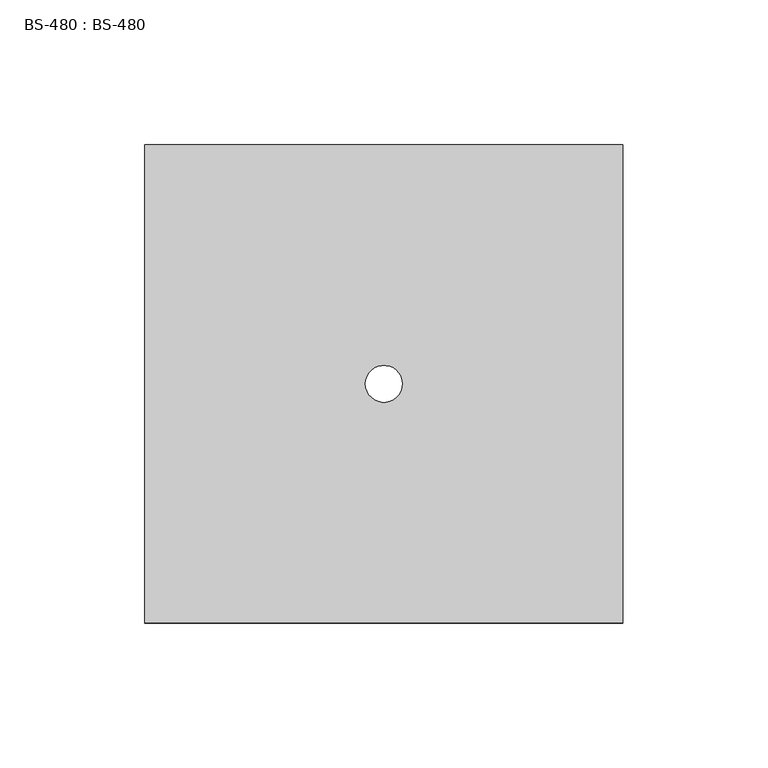
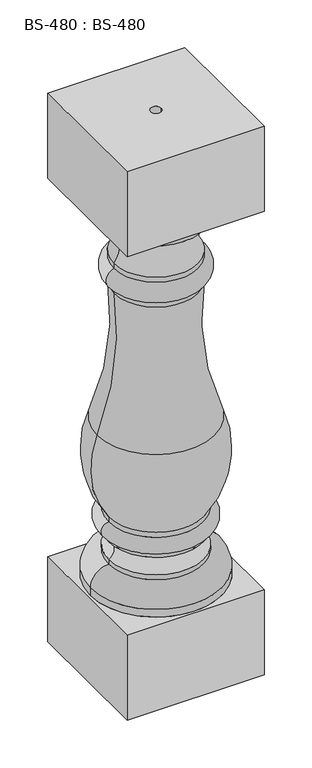
"""IFC4 building model written with IfcOpenShell, lengths in millimetres: proxy geometry, BS-480 : BS-480."""

import ifcopenshell
import ifcopenshell.guid

model = None  # the IFC model being written
_history = None  # IfcOwnerHistory: only IFC2X3 demands one
_inside = {}  # id of a spatial element -> (the spatial element, [elements in it])
_under = {}  # id of a project, library or spatial element -> (it, [spatial elements below it])
_declared = {}  # id of a project -> (the project, [libraries it declares])
_typed = {}  # id of a type object -> (the type object, [elements of that type])
_made_of = {}  # id of a material, layer set ... -> (it, [elements and type objects made of it])


def new_model(schema):
    """Start an empty IFC model of exactly this schema.

    Asked for "IFC4X3", IfcOpenShell would pick the latest addendum, in which some entities
    have other attributes; the version numbers below select the first issue.
    IFC2X3 requires an IfcOwnerHistory on every rooted entity: one is made here for all.
    """
    global model, _history
    if schema == "IFC4X3":
        model = ifcopenshell.file(schema_version=(4, 3, 0, 0))
    else:
        model = ifcopenshell.file(schema=schema)
    _inside.clear()
    _under.clear()
    _declared.clear()
    _typed.clear()
    _made_of.clear()
    _history = None
    if model.schema == "IFC2X3":
        org = make("IfcOrganization", Name="unknown")
        user = make(
            "IfcPersonAndOrganization",
            ThePerson=make("IfcPerson", FamilyName="unknown"),
            TheOrganization=org,
        )
        app = make(
            "IfcApplication",
            ApplicationDeveloper=org,
            Version="unknown",
            ApplicationFullName="unknown",
            ApplicationIdentifier="unknown",
        )
        _history = make(
            "IfcOwnerHistory",
            OwningUser=user,
            OwningApplication=app,
            ChangeAction="ADDED",
            CreationDate=0,
        )
    return model


def make(cls, **values):
    """One entity of the class cls with the attributes given. An attribute that is None is left unset."""
    return model.create_entity(
        cls, **{name: value for name, value in values.items() if value is not None}
    )


def rooted(cls, **values):
    """An entity with a GlobalId (a new one), such as an element, a storey or a relation."""
    return make(cls, GlobalId=ifcopenshell.guid.new(), OwnerHistory=_history, **values)


def si_unit(unit_type, name, prefix=None):
    """IfcSIUnit, for example si_unit("LENGTHUNIT", "METRE", prefix="MILLI")."""
    return make("IfcSIUnit", UnitType=unit_type, Prefix=prefix, Name=name)


def assignment(units):
    """IfcUnitAssignment: the units of a project."""
    return None if units is None else make("IfcUnitAssignment", Units=units)


def point(xyz):
    """IfcCartesianPoint."""
    return None if xyz is None else make("IfcCartesianPoint", Coordinates=xyz)


def direction(xyz):
    """IfcDirection."""
    return None if xyz is None else make("IfcDirection", DirectionRatios=xyz)


def frame(location, z_axis=None, x_axis=None):
    """IfcAxis2Placement3D, a coordinate frame: its origin and axes. An axis left out is left unset."""
    return make(
        "IfcAxis2Placement3D",
        Location=point(location),
        Axis=direction(z_axis),
        RefDirection=direction(x_axis),
    )


def origin():
    """The frame at (0, 0, 0) with its axes left unset."""
    return frame((0.0, 0.0, 0.0))


def origin_with_axes():
    """The frame at (0, 0, 0) with the z axis (0, 0, 1) and the x axis (1, 0, 0) written out."""
    return frame((0.0, 0.0, 0.0), z_axis=(0.0, 0.0, 1.0), x_axis=(1.0, 0.0, 0.0))


def place(relative_to, where):
    """IfcLocalPlacement: puts the frame where relative to a parent placement (None: the world)."""
    return make(
        "IfcLocalPlacement", PlacementRelTo=relative_to, RelativePlacement=where
    )


def context(
    kind, dimensions, precision=None, world=None, true_north=None, identifier=None
):
    """IfcGeometricRepresentationContext, for example the 3D "Model" context."""
    return make(
        "IfcGeometricRepresentationContext",
        ContextIdentifier=identifier,
        ContextType=kind,
        CoordinateSpaceDimension=dimensions,
        Precision=precision,
        WorldCoordinateSystem=world,
        TrueNorth=true_north,
    )


def project(units=None, contexts=None):
    """IfcProject with its units and contexts."""
    return rooted(
        "IfcProject",
        Name="project",
        RepresentationContexts=contexts,
        UnitsInContext=assignment(units),
    )


def spatial(cls, under=None, at=None, **own):
    """A site, building, storey or space (cls), placed at a placement, below another one or the project."""
    s = rooted(cls, ObjectPlacement=at, **own)
    if under is not None:
        _under.setdefault(under.id(), (under, []))[1].append(s)
    return s


def polyline(points):
    """IfcPolyline through the points."""
    return make("IfcPolyline", Points=[point(p) for p in points])


def circle_curve(where, radius):
    """IfcCircle in the frame where."""
    return make("IfcCircle", Position=where, Radius=radius)


def ellipse_curve(where, semi_axis1, semi_axis2):
    """IfcEllipse in the frame where."""
    return make(
        "IfcEllipse", Position=where, SemiAxis1=semi_axis1, SemiAxis2=semi_axis2
    )


def trimmed(basis, trim1, trim2, sense, master):
    """IfcTrimmedCurve: the piece of a basis curve between two trims."""
    return make(
        "IfcTrimmedCurve",
        BasisCurve=basis,
        Trim1=trim1,
        Trim2=trim2,
        SenseAgreement=sense,
        MasterRepresentation=master,
    )


def shape(context_of_items, identifier, shape_type, items):
    """IfcShapeRepresentation: the items that make up one representation, for example the "Body"."""
    return make(
        "IfcShapeRepresentation",
        ContextOfItems=context_of_items,
        RepresentationIdentifier=identifier,
        RepresentationType=shape_type,
        Items=items,
    )


def source(mapping_origin, context_of_items, identifier, shape_type, items):
    """IfcRepresentationMap: a shape defined once, which mapped items show again and again."""
    return make(
        "IfcRepresentationMap",
        MappingOrigin=mapping_origin,
        MappedRepresentation=shape(context_of_items, identifier, shape_type, items),
    )


def transform(
    local_origin,
    x_axis=None,
    y_axis=None,
    z_axis=None,
    scale=None,
    scale2=None,
    scale3=None,
    uniform=True,
):
    """IfcCartesianTransformationOperator3D, or its non-uniform kind. x_axis, y_axis, z_axis: its Axis1, 2, 3."""
    if uniform:
        return make(
            "IfcCartesianTransformationOperator3D",
            Axis1=direction(x_axis),
            Axis2=direction(y_axis),
            LocalOrigin=point(local_origin),
            Scale=scale,
            Axis3=direction(z_axis),
        )
    return make(
        "IfcCartesianTransformationOperator3DnonUniform",
        Axis1=direction(x_axis),
        Axis2=direction(y_axis),
        LocalOrigin=point(local_origin),
        Scale=scale,
        Axis3=direction(z_axis),
        Scale2=scale2,
        Scale3=scale3,
    )


def mapped(mapping_source, mapping_target):
    """IfcMappedItem: shows the shape of a source again, moved by a transform."""
    return make(
        "IfcMappedItem", MappingSource=mapping_source, MappingTarget=mapping_target
    )


def made_of(thing, what):
    """Note that an element or type object is made of a material, layer set ...; save() writes the relation."""
    if what is not None:
        _made_of.setdefault(what.id(), (what, []))[1].append(thing)
    return thing


def element(
    cls,
    number,
    at=None,
    inside=None,
    cuts=None,
    type_object=None,
    material=None,
    context=None,
    identifier="Body",
    shape_type=None,
    held_by="IfcProductDefinitionShape",
    body=None,
    shapes=None,
    **own,
):
    """One element of the class cls, such as IfcWall. Its Tag is "e" and its number.

    at: its placement. inside: the storey or other place that contains it. cuts: it is an
    opening in that element (IfcRelVoidsElement). A single representation is given by context,
    identifier, shape_type and body (its items); several are given by shapes. held_by: the class
    of the entity that holds the representations. save() writes the other relations.
    """
    e = rooted(cls, Tag="e%d" % number, ObjectPlacement=at, **own)
    if body is not None:
        shapes = [shape(context, identifier, shape_type, body)]
    if shapes is not None:
        e.Representation = make(held_by, Representations=shapes)
    if inside is not None:
        _inside.setdefault(inside.id(), (inside, []))[1].append(e)
    if cuts is not None:
        rooted(
            "IfcRelVoidsElement", RelatingBuildingElement=cuts, RelatedOpeningElement=e
        )
    if type_object is not None:
        _typed.setdefault(type_object.id(), (type_object, []))[1].append(e)
    return made_of(e, material)


def aggregate(whole, parts):
    """IfcRelAggregates: a whole, such as a stair, and the parts it consists of."""
    return rooted("IfcRelAggregates", RelatingObject=whole, RelatedObjects=parts)


def save(model, path):
    """Write the relations noted so far, then the file.

    IfcRelAggregates (storeys below a building ...), IfcRelContainedInSpatialStructure (elements
    in a storey), IfcRelDefinesByType, IfcRelAssociatesMaterial and IfcRelDeclares: one each for
    every whole, place, type object, material and project.
    """
    for whole, parts in _under.values():
        aggregate(whole, parts)
    for where, things in _inside.values():
        rooted(
            "IfcRelContainedInSpatialStructure",
            RelatedElements=things,
            RelatingStructure=where,
        )
    for kind, things in _typed.values():
        rooted("IfcRelDefinesByType", RelatedObjects=things, RelatingType=kind)
    for what, things in _made_of.values():
        rooted("IfcRelAssociatesMaterial", RelatedObjects=things, RelatingMaterial=what)
    for by, libraries in _declared.values():
        rooted("IfcRelDeclares", RelatingContext=by, RelatedDefinitions=libraries)
    model.write(path)


def plane_surface(at):
    """IfcPlane: the flat surface through the origin of the frame at, square to its z axis."""
    return make("IfcPlane", Position=at)


def cylinder_surface(at, radius):
    """IfcCylindricalSurface: all points at the distance radius from the z axis of the frame at."""
    return make("IfcCylindricalSurface", Position=at, Radius=radius)


def revolved_surface(curve, axis_point, axis_direction):
    """IfcSurfaceOfRevolution: the curve turned about the line through axis_point along axis_direction."""
    return make(
        "IfcSurfaceOfRevolution",
        SweptCurve=make("IfcArbitraryOpenProfileDef", ProfileType="CURVE", Curve=curve),
        AxisPosition=make("IfcAxis1Placement", Location=point(axis_point), Axis=direction(axis_direction)),
    )


def advanced_brep(points, edges, surfaces, faces):
    """IfcAdvancedBrep: a solid bounded by faces that lie on surfaces and meet in shared edges.

    An edge is (start, end): straight between two places in points (the first is 0);
    or (start, end, curve); or (start, end, curve, False) where it runs against its curve.
    A face is (place in surfaces, loops), or (place, loops, False) where it looks against
    its surface's normal. A loop lists edges by number (the first is 1), with a minus sign
    where the edge is run from its end to its start. The first loop is the outer one.
    """
    corners = [point(p) for p in points]
    vertices = [make("IfcVertexPoint", VertexGeometry=c) for c in corners]
    made = []
    for start, end, *more in edges:
        made.append(
            make(
                "IfcEdgeCurve",
                EdgeStart=vertices[start],
                EdgeEnd=vertices[end],
                EdgeGeometry=more[0] if more else make("IfcPolyline", Points=[corners[start], corners[end]]),
                SameSense=more[1] if len(more) > 1 else True,
            )
        )
    hull = []
    for where, loops, *sense in faces:
        bounds = []
        for j, loop in enumerate(loops):
            ring = [make("IfcOrientedEdge", EdgeElement=made[abs(k) - 1], Orientation=k > 0) for k in loop]
            bounds.append(
                make(
                    "IfcFaceOuterBound" if j == 0 else "IfcFaceBound",
                    Bound=make("IfcEdgeLoop", EdgeList=ring),
                    Orientation=True,
                )
            )
        hull.append(make("IfcAdvancedFace", Bounds=bounds, FaceSurface=surfaces[where], SameSense=sense[0] if sense else True))
    return make("IfcAdvancedBrep", Outer=make("IfcClosedShell", CfsFaces=hull))


def bs_480_bs_480_99e24508(model_context):
    return source(origin(), model_context, "Body", "AdvancedBrep", [
        advanced_brep(
        [(-57.15, 0.0, 168.275), (57.15, 0.0, 168.275), (57.15, 0.0, 146.05), (-57.15, 0.0, 146.05), (-57.15, 0.0, 174.625), (57.15, 0.0, 174.625), (-57.15, 0.0, 193.675), (57.15, 0.0, 193.675), (-57.15, 0.0, 200.025), (57.15, 0.0, 200.025), (-71.0887123, 0.0, 309.1306166), (71.0887123, 0.0, 309.1306166), (-50.8, 0.0, 482.6), (50.8, 0.0, 482.6), (-50.8, 0.0, 488.95), (50.8, 0.0, 488.95), (-50.8, 0.0, 514.35), (50.8, 0.0, 514.35), (-50.8, 0.0, 520.7), (50.8, 0.0, 520.7), (-57.15, 0.0, 565.15), (57.15, 0.0, 565.15), (-57.15, 0.0, 571.5), (57.15, 0.0, 571.5), (-69.85, 0.0, 590.55), (69.85, 0.0, 590.55), (-79.375, 0.0, 117.475), (79.375, 0.0, 117.475), (79.375, 0.0, 107.95), (-79.375, 0.0, 107.95), (-57.15, 0.0, 139.7), (57.15, 0.0, 139.7), (-82.55, -82.55, 698.5), (-82.55, -82.55, 590.55), (82.55, -82.55, 590.55), (82.55, -82.55, 698.5), (-82.55, 82.55, 698.5), (82.55, 82.55, 698.5), (82.55, 82.55, 590.55), (-82.55, 82.55, 590.55), (6.35, 0.0, 698.5), (-6.35, 0.0, 698.5), (-82.55, -82.55, 107.95), (-82.55, -82.55, 0.0), (82.55, -82.55, 0.0), (82.55, -82.55, 107.95), (-82.55, 82.55, 107.95), (82.55, 82.55, 107.95), (82.55, 82.55, 0.0), (-82.55, 82.55, 0.0), (-6.35, 0.0, 0.0), (6.35, 0.0, 0.0)],
        [
            (0, 1, circle_curve(frame((0.0, 0.0, 168.275), z_axis=(0.0, 0.0, -1.0), x_axis=(1.0, 0.0, 0.0)), 57.15)),
            (1, 2, circle_curve(frame((63.2983611, 0.0, 157.1625), z_axis=(0.0, -1.0, 0.0), x_axis=(1.0, 0.0, 0.0)), 12.7)),
            (2, 3, circle_curve(frame((0.0, 0.0, 146.05), z_axis=(0.0, 0.0, 1.0), x_axis=(1.0, 0.0, 0.0)), 57.15)),
            (3, 0, circle_curve(frame((-63.2983611, 0.0, 157.1625), z_axis=(0.0, -1.0, 0.0), x_axis=(-1.0, 0.0, 0.0)), 12.7)),
            (1, 0, circle_curve(frame((0.0, 0.0, 168.275), z_axis=(0.0, 0.0, -1.0), x_axis=(1.0, 0.0, 0.0)), 57.15)),
            (3, 2, circle_curve(frame((0.0, 0.0, 146.05), z_axis=(0.0, 0.0, 1.0), x_axis=(1.0, 0.0, 0.0)), 57.15)),
            (0, 4),
            (4, 5, circle_curve(frame((0.0, 0.0, 174.625), z_axis=(0.0, 0.0, -1.0), x_axis=(1.0, 0.0, 0.0)), 57.15)),
            (5, 1),
            (5, 4, circle_curve(frame((0.0, 0.0, 174.625), z_axis=(0.0, 0.0, -1.0), x_axis=(1.0, 0.0, 0.0)), 57.15)),
            (4, 6, circle_curve(frame((-57.15, 0.0, 184.15), z_axis=(0.0, 1.0, 0.0), x_axis=(-1.0, 0.0, 0.0)), 9.525)),
            (6, 7, circle_curve(frame((0.0, 0.0, 193.675), z_axis=(0.0, 0.0, -1.0), x_axis=(1.0, 0.0, 0.0)), 57.15)),
            (7, 5, circle_curve(frame((57.15, 0.0, 184.15), z_axis=(0.0, 1.0, 0.0), x_axis=(1.0, 0.0, 0.0)), 9.525)),
            (7, 6, circle_curve(frame((0.0, 0.0, 193.675), z_axis=(0.0, 0.0, -1.0), x_axis=(1.0, 0.0, 0.0)), 57.15)),
            (6, 8),
            (8, 9, circle_curve(frame((0.0, 0.0, 200.025), z_axis=(0.0, 0.0, -1.0), x_axis=(1.0, 0.0, 0.0)), 57.15)),
            (9, 7),
            (9, 8, circle_curve(frame((0.0, 0.0, 200.025), z_axis=(0.0, 0.0, -1.0), x_axis=(1.0, 0.0, 0.0)), 57.15)),
            (8, 10, circle_curve(frame((36.7321763, 0.0, 267.4620258), z_axis=(0.0, 1.0, 0.0), x_axis=(1.0, 0.0, 0.0)), 115.5924542)),
            (10, 11, circle_curve(frame((0.0, 0.0, 309.1306166), z_axis=(0.0, 0.0, -1.0), x_axis=(1.0, 0.0, 0.0)), 71.0887123)),
            (11, 9, circle_curve(frame((-36.7321763, 0.0, 267.4620258), z_axis=(0.0, 1.0, 0.0), x_axis=(-1.0, 0.0, 0.0)), 115.5924542)),
            (11, 10, circle_curve(frame((0.0, 0.0, 309.1306166), z_axis=(0.0, 0.0, -1.0), x_axis=(1.0, 0.0, 0.0)), 71.0887123)),
            (10, 12, circle_curve(frame((-397.323459, 0.0, 435.2076908), z_axis=(0.0, -1.0, 0.0), x_axis=(0.9907768435706524, 0.0, 0.13550367612790068)), 349.749251)),
            (12, 13, circle_curve(frame((0.0, 0.0, 482.6), z_axis=(0.0, 0.0, -1.0), x_axis=(1.0, 0.0, 0.0)), 50.8)),
            (13, 11, circle_curve(frame((397.323459, 0.0, 435.2076908), z_axis=(0.0, -1.0, 0.0), x_axis=(-0.990776843570652, 0.0, 0.1355036761279039)), 349.749251)),
            (13, 12, circle_curve(frame((0.0, 0.0, 482.6), z_axis=(0.0, 0.0, -1.0), x_axis=(1.0, 0.0, 0.0)), 50.8)),
            (12, 14),
            (14, 15, circle_curve(frame((0.0, 0.0, 488.95), z_axis=(0.0, 0.0, -1.0), x_axis=(1.0, 0.0, 0.0)), 50.8)),
            (15, 13),
            (15, 14, circle_curve(frame((0.0, 0.0, 488.95), z_axis=(0.0, 0.0, -1.0), x_axis=(1.0, 0.0, 0.0)), 50.8)),
            (14, 16, circle_curve(frame((-47.0958333, 0.0, 501.65), z_axis=(0.0, 1.0, 0.0), x_axis=(-1.0, 0.0, 0.0)), 13.2291667)),
            (16, 17, circle_curve(frame((0.0, 0.0, 514.35), z_axis=(0.0, 0.0, -1.0), x_axis=(1.0, 0.0, 0.0)), 50.8)),
            (17, 15, circle_curve(frame((47.0958333, 0.0, 501.65), z_axis=(0.0, 1.0, 0.0), x_axis=(1.0, 0.0, 0.0)), 13.2291667)),
            (17, 16, circle_curve(frame((0.0, 0.0, 514.35), z_axis=(0.0, 0.0, -1.0), x_axis=(1.0, 0.0, 0.0)), 50.8)),
            (16, 18),
            (18, 19, circle_curve(frame((0.0, 0.0, 520.7), z_axis=(0.0, 0.0, -1.0), x_axis=(1.0, 0.0, 0.0)), 50.8)),
            (19, 17),
            (19, 18, circle_curve(frame((0.0, 0.0, 520.7), z_axis=(0.0, 0.0, -1.0), x_axis=(1.0, 0.0, 0.0)), 50.8)),
            (18, 20, circle_curve(frame((-76.2, 0.0, 539.75), z_axis=(0.0, -1.0, 0.0), x_axis=(-1.0, 0.0, 0.0)), 31.75)),
            (20, 21, circle_curve(frame((0.0, 0.0, 565.15), z_axis=(0.0, 0.0, -1.0), x_axis=(1.0, 0.0, 0.0)), 57.15)),
            (21, 19, circle_curve(frame((76.2, 0.0, 539.75), z_axis=(0.0, -1.0, 0.0), x_axis=(1.0, 0.0, 0.0)), 31.75)),
            (21, 20, circle_curve(frame((0.0, 0.0, 565.15), z_axis=(0.0, 0.0, -1.0), x_axis=(1.0, 0.0, 0.0)), 57.15)),
            (20, 22),
            (22, 23, circle_curve(frame((0.0, 0.0, 571.5), z_axis=(0.0, 0.0, -1.0), x_axis=(1.0, 0.0, 0.0)), 57.15)),
            (23, 21),
            (23, 22, circle_curve(frame((0.0, 0.0, 571.5), z_axis=(0.0, 0.0, -1.0), x_axis=(1.0, 0.0, 0.0)), 57.15)),
            (22, 24, circle_curve(frame((-47.6494419, 0.0, 591.5920387), z_axis=(0.0, 1.0, 0.0), x_axis=(-1.0, 0.0, 0.0)), 22.225)),
            (24, 25, circle_curve(frame((0.0, 0.0, 590.55), z_axis=(0.0, 0.0, -1.0), x_axis=(1.0, 0.0, 0.0)), 69.85)),
            (25, 23, circle_curve(frame((47.6494419, 0.0, 591.5920387), z_axis=(0.0, 1.0, 0.0), x_axis=(1.0, 0.0, 0.0)), 22.225)),
            (25, 24, circle_curve(frame((0.0, 0.0, 590.55), z_axis=(0.0, 0.0, -1.0), x_axis=(1.0, 0.0, 0.0)), 69.85)),
            (26, 27, circle_curve(frame((0.0, 0.0, 117.475), z_axis=(0.0, 0.0, -1.0), x_axis=(1.0, 0.0, 0.0)), 79.375)),
            (27, 28),
            (28, 29, circle_curve(frame((0.0, 0.0, 107.95), z_axis=(0.0, 0.0, 1.0), x_axis=(1.0, 0.0, 0.0)), 79.375)),
            (29, 26),
            (27, 26, circle_curve(frame((0.0, 0.0, 117.475), z_axis=(0.0, 0.0, -1.0), x_axis=(1.0, 0.0, 0.0)), 79.375)),
            (29, 28, circle_curve(frame((0.0, 0.0, 107.95), z_axis=(0.0, 0.0, 1.0), x_axis=(1.0, 0.0, 0.0)), 79.375)),
            (26, 30, circle_curve(frame((-57.15, 0.0, 117.475), z_axis=(0.0, 1.0, 0.0), x_axis=(-1.0, 0.0, 0.0)), 22.225)),
            (30, 31, circle_curve(frame((0.0, 0.0, 139.7), z_axis=(0.0, 0.0, -1.0), x_axis=(1.0, 0.0, 0.0)), 57.15)),
            (31, 27, circle_curve(frame((57.15, 0.0, 117.475), z_axis=(0.0, 1.0, 0.0), x_axis=(1.0, 0.0, 0.0)), 22.225)),
            (31, 30, circle_curve(frame((0.0, 0.0, 139.7), z_axis=(0.0, 0.0, -1.0), x_axis=(1.0, 0.0, 0.0)), 57.15)),
            (2, 31),
            (30, 3),
            (32, 33),
            (33, 34),
            (34, 35),
            (35, 32),
            (36, 37),
            (37, 38),
            (38, 39),
            (39, 36),
            (32, 36),
            (39, 33),
            (38, 34),
            (37, 35),
            (40, 41, circle_curve(frame((0.0, 0.0, 698.5), z_axis=(0.0, 0.0, -1.0), x_axis=(1.0, 0.0, 0.0)), 6.35)),
            (41, 40, circle_curve(frame((0.0, 0.0, 698.5), z_axis=(0.0, 0.0, -1.0), x_axis=(1.0, 0.0, 0.0)), 6.35)),
            (42, 43),
            (43, 44),
            (44, 45),
            (45, 42),
            (46, 47),
            (47, 48),
            (48, 49),
            (49, 46),
            (42, 46),
            (49, 43),
            (48, 44),
            (50, 51, circle_curve(origin_with_axes(), 6.35)),
            (51, 50, circle_curve(origin_with_axes(), 6.35)),
            (47, 45),
            (40, 51),
            (50, 41),
        ],
        [
            revolved_surface(trimmed(ellipse_curve(frame((63.2983611, 0.0, 157.1625), z_axis=(0.0, 1.0, 0.0), x_axis=(1.0, 0.0, 0.0)), 12.7, 12.7), [point((57.15, 0.0, 146.05))], [point((57.15, 0.0, 168.275))], True, "CARTESIAN"), (0.0, 0.0, 590.55), (0.0, 0.0, 1.0)),
            cylinder_surface(frame((0.0, 0.0, 590.55), z_axis=(0.0, 0.0, 1.0), x_axis=(1.0, 0.0, 0.0)), 57.15),
            revolved_surface(trimmed(ellipse_curve(frame((57.15, 0.0, 184.15), z_axis=(0.0, -1.0, 0.0), x_axis=(1.0, 0.0, 0.0)), 9.525, 9.525), [point((57.15, 0.0, 174.625))], [point((57.15, 0.0, 193.675))], True, "CARTESIAN"), (0.0, 0.0, 590.55), (0.0, 0.0, 1.0)),
            revolved_surface(trimmed(ellipse_curve(frame((-36.7321763, 0.0, 267.4620258), z_axis=(0.0, -1.0, 0.0), x_axis=(-1.0, 0.0, 0.0)), 115.5924542, 115.5924542), [point((57.15, 0.0, 200.025))], [point((71.0887123, 0.0, 309.1306166))], True, "CARTESIAN"), (0.0, 0.0, 590.55), (0.0, 0.0, 1.0)),
            revolved_surface(trimmed(ellipse_curve(frame((397.323459, 0.0, 435.2076908), z_axis=(0.0, 1.0, 0.0), x_axis=(-0.990776843570652, 0.0, 0.1355036761279039)), 349.749251, 349.749251), [point((71.0887123, 0.0, 309.1306166))], [point((50.8, 0.0, 482.6))], True, "CARTESIAN"), (0.0, 0.0, 590.55), (0.0, 0.0, 1.0)),
            cylinder_surface(frame((0.0, 0.0, 590.55), z_axis=(0.0, 0.0, 1.0), x_axis=(1.0, 0.0, 0.0)), 50.8),
            revolved_surface(trimmed(ellipse_curve(frame((47.0958333, 0.0, 501.65), z_axis=(0.0, -1.0, 0.0), x_axis=(1.0, 0.0, 0.0)), 13.2291667, 13.2291667), [point((50.8, 0.0, 488.95))], [point((50.8, 0.0, 514.35))], True, "CARTESIAN"), (0.0, 0.0, 590.55), (0.0, 0.0, 1.0)),
            revolved_surface(trimmed(ellipse_curve(frame((76.2, 0.0, 539.75), z_axis=(0.0, 1.0, 0.0), x_axis=(1.0, 0.0, 0.0)), 31.75, 31.75), [point((50.8, 0.0, 520.7))], [point((57.15, 0.0, 565.15))], True, "CARTESIAN"), (0.0, 0.0, 590.55), (0.0, 0.0, 1.0)),
            revolved_surface(trimmed(ellipse_curve(frame((47.6494419, 0.0, 591.5920387), z_axis=(0.0, -1.0, 0.0), x_axis=(1.0, 0.0, 0.0)), 22.225, 22.225), [point((57.15, 0.0, 571.5))], [point((69.85, 0.0, 590.55))], True, "CARTESIAN"), (0.0, 0.0, 590.55), (0.0, 0.0, 1.0)),
            cylinder_surface(frame((0.0, 0.0, 590.55), z_axis=(0.0, 0.0, 1.0), x_axis=(1.0, 0.0, 0.0)), 79.375),
            revolved_surface(trimmed(ellipse_curve(frame((57.15, 0.0, 117.475), z_axis=(0.0, -1.0, 0.0), x_axis=(1.0, 0.0, 0.0)), 22.225, 22.225), [point((79.375, 0.0, 117.475))], [point((57.15, 0.0, 139.7))], True, "CARTESIAN"), (0.0, 0.0, 590.55), (0.0, 0.0, 1.0)),
            plane_surface(frame((-82.55, -82.55, 590.55), z_axis=(0.0, -1.0, 0.0), x_axis=(0.0, 0.0, -1.0))),
            plane_surface(frame((-82.55, 82.55, 590.55), z_axis=(0.0, 1.0, 0.0), x_axis=(0.0, 0.0, 1.0))),
            plane_surface(frame((-82.55, -82.55, 698.5), z_axis=(-1.0, 0.0, 0.0), x_axis=(0.0, 1.0, 0.0))),
            plane_surface(frame((-82.55, -82.55, 590.55), z_axis=(0.0, 0.0, -1.0), x_axis=(0.0, 1.0, 0.0))),
            plane_surface(frame((82.55, -82.55, 590.55), z_axis=(1.0, 0.0, 0.0), x_axis=(0.0, 1.0, 0.0))),
            plane_surface(frame((82.55, -82.55, 698.5), z_axis=(0.0, 0.0, 1.0), x_axis=(0.0, 1.0, 0.0))),
            plane_surface(frame((-82.55, -82.55, 0.0), z_axis=(0.0, -1.0, 0.0), x_axis=(0.0, 0.0, -1.0))),
            plane_surface(frame((-82.55, 82.55, 0.0), z_axis=(0.0, 1.0, 0.0), x_axis=(0.0, 0.0, 1.0))),
            plane_surface(frame((-82.55, -82.55, 107.95), z_axis=(-1.0, 0.0, 0.0), x_axis=(0.0, 1.0, 0.0))),
            plane_surface(frame((-82.55, -82.55, 0.0), z_axis=(0.0, 0.0, -1.0), x_axis=(0.0, 1.0, 0.0))),
            plane_surface(frame((82.55, -82.55, 0.0), z_axis=(1.0, 0.0, 0.0), x_axis=(0.0, 1.0, 0.0))),
            plane_surface(frame((82.55, -82.55, 107.95), z_axis=(0.0, 0.0, 1.0), x_axis=(0.0, 1.0, 0.0))),
            revolved_surface(polyline([(6.35, 0.0, 698.5), (6.35, 0.0, 0.0)]), (0.0, 0.0, 0.0), (0.0, 0.0, 1.0)),
        ],
        [
            (0, [[1, 2, 3, 4]]),
            (0, [[-2, 5, -4, 6]]),
            (1, [[-1, 7, 8, 9]]),
            (1, [[-5, -9, 10, -7]]),
            (2, [[-8, 11, 12, 13]]),
            (2, [[-10, -13, 14, -11]]),
            (1, [[-12, 15, 16, 17]]),
            (1, [[-14, -17, 18, -15]]),
            (3, [[-16, 19, 20, 21]]),
            (3, [[-18, -21, 22, -19]]),
            (4, [[-20, 23, 24, 25]]),
            (4, [[-22, -25, 26, -23]]),
            (5, [[-24, 27, 28, 29]]),
            (5, [[-26, -29, 30, -27]]),
            (6, [[-28, 31, 32, 33]]),
            (6, [[-30, -33, 34, -31]]),
            (5, [[-32, 35, 36, 37]]),
            (5, [[-34, -37, 38, -35]]),
            (7, [[-36, 39, 40, 41]]),
            (7, [[-38, -41, 42, -39]]),
            (1, [[-40, 43, 44, 45]]),
            (1, [[-42, -45, 46, -43]]),
            (8, [[-44, 47, 48, 49]]),
            (8, [[-46, -49, 50, -47]]),
            (9, [[51, 52, 53, 54]]),
            (9, [[-52, 55, -54, 56]]),
            (10, [[-51, 57, 58, 59]]),
            (10, [[-55, -59, 60, -57]]),
            (1, [[-3, 61, -58, 62]]),
            (1, [[-6, -62, -60, -61]]),
            (11, [[63, 64, 65, 66]]),
            (12, [[67, 68, 69, 70]]),
            (13, [[-63, 71, -70, 72]]),
            (14, [[-64, -72, -69, 73], [-48, -50]]),
            (15, [[-65, -73, -68, 74]]),
            (16, [[-66, -74, -67, -71], [75, 76]]),
            (17, [[77, 78, 79, 80]]),
            (18, [[81, 82, 83, 84]]),
            (19, [[-77, 85, -84, 86]]),
            (20, [[-78, -86, -83, 87], [88, 89]]),
            (21, [[-79, -87, -82, 90]]),
            (22, [[-80, -90, -81, -85], [-53, -56]]),
            (23, [[91, -88, 92, -75]]),
            (23, [[-91, -76, -92, -89]]),
        ],
    ),
    ])


if __name__ == "__main__":
    model = new_model("IFC4")
    model_context = context("Model", 3, world=origin())
    ifc_project = project(units=[si_unit("LENGTHUNIT", "METRE", prefix="MILLI")], contexts=[model_context])
    site = spatial("IfcSite", under=ifc_project)
    building = spatial("IfcBuilding", under=site)
    placement = place(None, origin())
    bs_480_bs_480_shape = bs_480_bs_480_99e24508(model_context)
    element("IfcBuildingElementProxy", 1, Name="BS-480 : BS-480", ObjectType="BS-480 : BS-480", at=placement, inside=building, context=model_context, shape_type="MappedRepresentation", body=[
        mapped(bs_480_bs_480_shape, transform((0.0, 0.0, 0.0), x_axis=(1.0, 0.0, 0.0), y_axis=(0.0, 1.0, 0.0), z_axis=(0.0, 0.0, 1.0))),
    ])
    save(model, "model.ifc")
